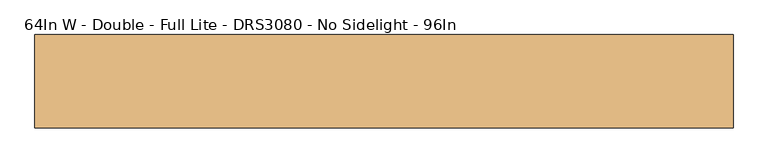
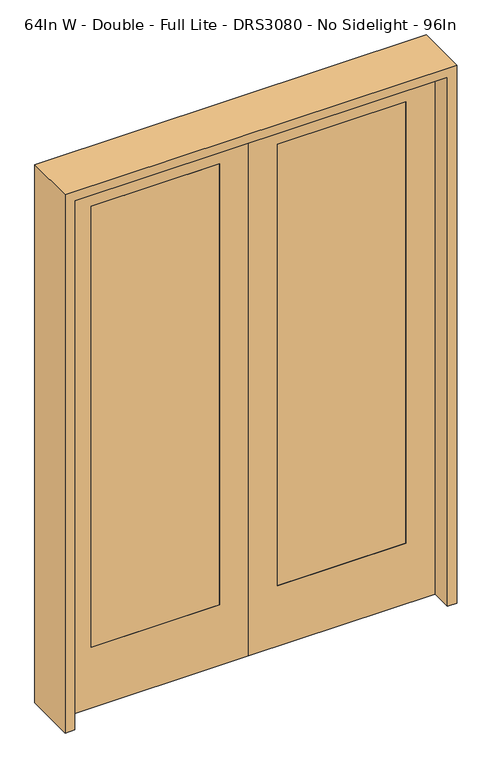
"""IFC4 building model written with IfcOpenShell, lengths in millimetres: door geometry, 64In W - Double - Full Lite - DRS3080 - No Sidelight - 96In."""

from ifc_helpers import new_model, si_unit, frame, origin, place, context, project, spatial, polyline, outline, extrude, source, transform, mapped, element, save


def door_64in_w_double_full_lite_drs3080_no_sidelight_96in_97fe5e7f(model_context):
    return source(origin(), model_context, "Body", "SweptSolid", [
        extrude(outline(polyline([(2438.4, 812.8), (2438.4, 0.0), (0.0, 0.0), (0.0, 812.8), (2438.4, 812.8)]), holes=[polyline([(279.4, 685.8), (279.4, 127.0), (2311.4, 127.0), (2311.4, 685.8), (279.4, 685.8)])]), frame((0.0, -20.6375, 0.0), z_axis=(0.0, 1.0, 0.0), x_axis=(0.0, 0.0, 1.0)), (0.0, 0.0, 1.0), 41.275),
        extrude(outline(polyline([(127.0, 20.6375), (685.8, 20.6375), (685.8, -20.6375), (127.0, -20.6375), (127.0, 20.6375)])), frame((0.0, 0.0, 279.4), z_axis=(0.0, 0.0, 1.0), x_axis=(1.0, 0.0, 0.0)), (0.0, 0.0, 1.0), 2032.0),
        extrude(outline(polyline([(2438.4, -812.8), (0.0, -812.8), (0.0, 0.0), (2438.4, 0.0), (2438.4, -812.8)]), holes=[polyline([(279.4, -685.8), (2311.4, -685.8), (2311.4, -127.0), (279.4, -127.0), (279.4, -685.8)])]), frame((0.0, -20.6375, 0.0), z_axis=(0.0, 1.0, 0.0), x_axis=(0.0, 0.0, 1.0)), (0.0, 0.0, 1.0), 41.275),
        extrude(outline(polyline([(-127.0, 20.6375), (-127.0, -20.6375), (-685.8, -20.6375), (-685.8, 20.6375), (-127.0, 20.6375)])), frame((0.0, 0.0, 279.4), z_axis=(0.0, 0.0, 1.0), x_axis=(1.0, 0.0, 0.0)), (0.0, 0.0, 1.0), 2032.0),
        extrude(outline(polyline([(2479.675, -854.075), (0.0, -854.075), (0.0, -812.8), (2438.4, -812.8), (2438.4, 812.8), (0.0, 812.8), (0.0, 854.075), (2479.675, 854.075), (2479.675, -854.075)])), frame((0.0, -114.3, 0.0), z_axis=(0.0, 1.0, 0.0), x_axis=(0.0, 0.0, 1.0)), (0.0, 0.0, 1.0), 228.6),
    ])


if __name__ == "__main__":
    model = new_model("IFC4")
    model_context = context("Model", 3, world=origin())
    ifc_project = project(units=[si_unit("LENGTHUNIT", "METRE", prefix="MILLI")], contexts=[model_context])
    site = spatial("IfcSite", under=ifc_project)
    building = spatial("IfcBuilding", under=site)
    placement = place(None, origin())
    door_64in_w_double_full_lite_drs3080_no_sidelight_96in_shape = door_64in_w_double_full_lite_drs3080_no_sidelight_96in_97fe5e7f(model_context)
    element("IfcDoor", 1, ObjectType="64In W - Double - Full Lite - DRS3080 - No Sidelight - 96In", at=placement, inside=building, context=model_context, shape_type="MappedRepresentation", body=[
        mapped(door_64in_w_double_full_lite_drs3080_no_sidelight_96in_shape, transform((0.0, 0.0, 0.0), x_axis=(1.0, 0.0, 0.0), y_axis=(0.0, 1.0, 0.0), z_axis=(0.0, 0.0, 1.0))),
    ])
    save(model, "model.ifc")
